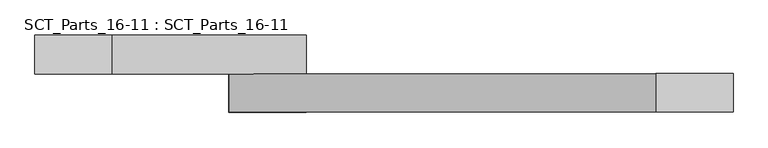
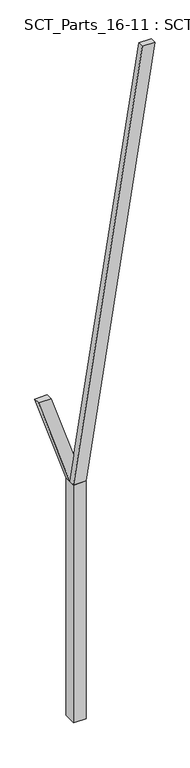
"""IFC4 building model written with IfcOpenShell, lengths in millimetres: proxy geometry, SCT_Parts_16-11 : SCT_Parts_16-11."""

from ifc_helpers import new_model, si_unit, frame, origin, origin_with_axes, place, context, project, spatial, polyline, outline, extrude, source, transform, mapped, element, save


def sct_parts_16_11_sct_parts_16_11_5ceb5039(model_context):
    return source(origin(), model_context, "Body", "SweptSolid", [
        extrude(outline(polyline([(4000.0, 200.0), (11000.0, 1300.0), (11000.0, 1100.0), (4000.0, 0.0), (4000.0, 200.0)])), frame((0.0, -200.0, 0.0), z_axis=(0.0, 1.0, 0.0), x_axis=(0.0, 0.0, 1.0)), (0.0, 0.0, 1.0), 100.0),
        extrude(outline(polyline([(4000.0, 0.0), (4000.0, 200.0), (5500.0, -300.0), (5500.0, -500.0), (4000.0, 0.0)])), frame((0.0, -100.0, 0.0), z_axis=(0.0, 1.0, 0.0), x_axis=(0.0, 0.0, 1.0)), (0.0, 0.0, 1.0), 100.0),
        extrude(outline(polyline([(200.0, -200.0), (0.0, -200.0), (0.0, 0.0), (200.0, 0.0), (200.0, -200.0)])), origin_with_axes(), (0.0, 0.0, 1.0), 4000.0),
    ])


if __name__ == "__main__":
    model = new_model("IFC4")
    model_context = context("Model", 3, world=origin())
    ifc_project = project(units=[si_unit("LENGTHUNIT", "METRE", prefix="MILLI")], contexts=[model_context])
    site = spatial("IfcSite", under=ifc_project)
    building = spatial("IfcBuilding", under=site)
    placement = place(None, origin())
    sct_parts_16_11_sct_parts_16_11_shape = sct_parts_16_11_sct_parts_16_11_5ceb5039(model_context)
    element("IfcBuildingElementProxy", 1, Name="SCT_Parts_16-11 : SCT_Parts_16-11", ObjectType="SCT_Parts_16-11 : SCT_Parts_16-11", at=placement, inside=building, context=model_context, shape_type="MappedRepresentation", body=[
        mapped(sct_parts_16_11_sct_parts_16_11_shape, transform((0.0, 0.0, 0.0), x_axis=(1.0, 0.0, 0.0), y_axis=(0.0, 1.0, 0.0), z_axis=(0.0, 0.0, 1.0))),
    ])
    save(model, "model.ifc")
